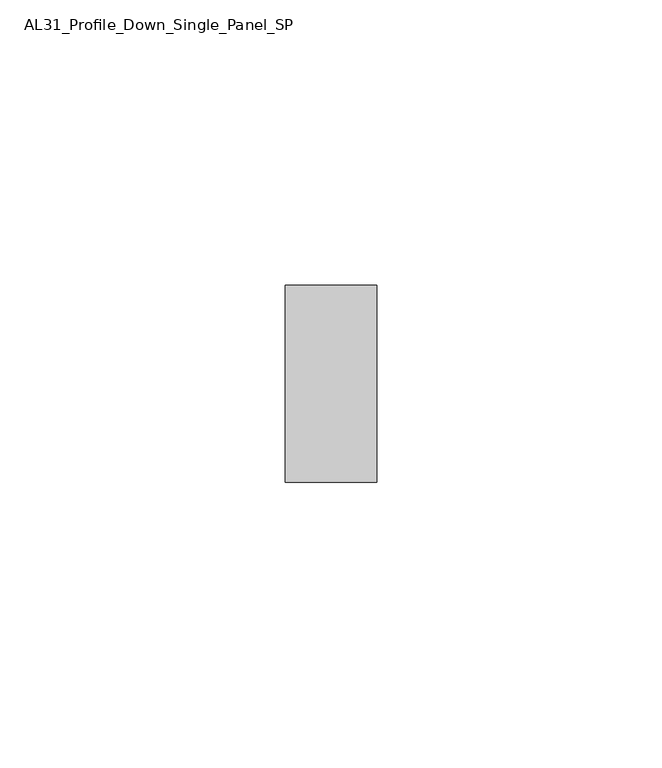
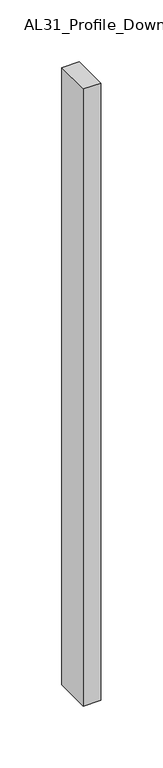
"""IFC4 building model written with IfcOpenShell, lengths in millimetres: member geometry, AL31_Profile_Down_Single_Panel_SP."""

from ifc_helpers import new_model, si_unit, frame, origin, place, context, project, spatial, polyline, outline, extrude, source, transform, mapped, element, save


def al31_profile_down_single_panel_sp_e0038e4b(model_context):
    return source(origin(), model_context, "Body", "SweptSolid", [
        extrude(outline(polyline([(0.0, -17.25), (-16.0, -17.25), (-16.0, 17.25), (0.0, 17.25), (0.0, -17.25)])), frame((0.0, 0.0, -607.6602632), z_axis=(0.0, 0.0, 1.0), x_axis=(1.0, 0.0, 0.0)), (0.0, 0.0, 1.0), 607.6602632),
    ])


if __name__ == "__main__":
    model = new_model("IFC4")
    model_context = context("Model", 3, world=origin())
    ifc_project = project(units=[si_unit("LENGTHUNIT", "METRE", prefix="MILLI")], contexts=[model_context])
    site = spatial("IfcSite", under=ifc_project)
    building = spatial("IfcBuilding", under=site)
    placement = place(None, origin())
    al31_profile_down_single_panel_sp_shape = al31_profile_down_single_panel_sp_e0038e4b(model_context)
    element("IfcMember", 1, ObjectType="AL31_Profile_Down_Single_Panel_SP", at=placement, inside=building, context=model_context, shape_type="MappedRepresentation", body=[
        mapped(al31_profile_down_single_panel_sp_shape, transform((0.0, 0.0, 0.0), x_axis=(1.0, 0.0, 0.0), y_axis=(0.0, 1.0, 0.0), z_axis=(0.0, 0.0, 1.0))),
    ])
    save(model, "model.ifc")
